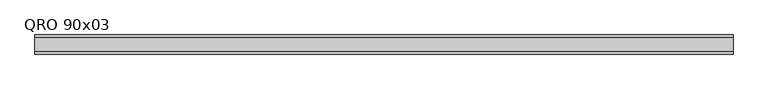
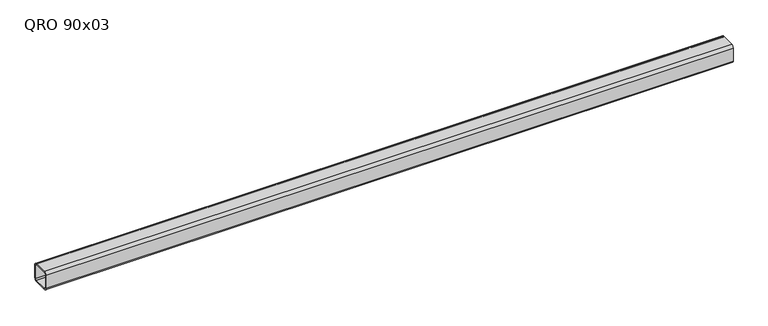
"""IFC4 building model written with IfcOpenShell, lengths in millimetres: beam geometry, QRO 90x03."""

from ifc_helpers import new_model, si_unit, point, frame, frame_2d, origin, place, context, project, spatial, polyline, circle_curve, trimmed, segment, composite_curve, outline, extrude, source, transform, mapped, element, save


def qro_90x03_b0f30305(model_context):
    return source(origin(), model_context, "Body", "SweptSolid", [
        extrude(outline(composite_curve([segment(polyline([(45.0, 33.0), (45.0, -33.0)]), True, "CONTINUOUS"), segment(trimmed(circle_curve(frame_2d((33.0, -33.0)), 12.0), [point((45.0, -33.0))], [point((33.0, -45.0))], False, "CARTESIAN"), True, "CONTINUOUS"), segment(polyline([(33.0, -45.0), (-33.0, -45.0)]), True, "CONTINUOUS"), segment(trimmed(circle_curve(frame_2d((-33.0, -33.0)), 12.0), [point((-33.0, -45.0))], [point((-45.0, -33.0))], False, "CARTESIAN"), True, "CONTINUOUS"), segment(polyline([(-45.0, -33.0), (-45.0, 33.0)]), True, "CONTINUOUS"), segment(trimmed(circle_curve(frame_2d((-33.0, 33.0)), 12.0), [point((-45.0, 33.0))], [point((-33.0, 45.0))], False, "CARTESIAN"), True, "CONTINUOUS"), segment(polyline([(-33.0, 45.0), (33.0, 45.0)]), True, "CONTINUOUS"), segment(trimmed(circle_curve(frame_2d((33.0, 33.0)), 12.0), [point((33.0, 45.0))], [point((45.0, 33.0))], False, "CARTESIAN"), True, "CONTINUOUS")], self_intersect=False), holes=[composite_curve([segment(trimmed(circle_curve(frame_2d((-33.0, 33.0)), 6.0), [point((-33.0, 39.0))], [point((-39.0, 33.0))], True, "CARTESIAN"), True, "CONTINUOUS"), segment(polyline([(-39.0, 33.0), (-39.0, -33.0)]), True, "CONTINUOUS"), segment(trimmed(circle_curve(frame_2d((-33.0, -33.0)), 6.0), [point((-39.0, -33.0))], [point((-33.0, -39.0))], True, "CARTESIAN"), True, "CONTINUOUS"), segment(polyline([(-33.0, -39.0), (33.0, -39.0)]), True, "CONTINUOUS"), segment(trimmed(circle_curve(frame_2d((33.0, -33.0)), 6.0), [point((33.0, -39.0))], [point((39.0, -33.0))], True, "CARTESIAN"), True, "CONTINUOUS"), segment(polyline([(39.0, -33.0), (39.0, 33.0)]), True, "CONTINUOUS"), segment(trimmed(circle_curve(frame_2d((33.0, 33.0)), 6.0), [point((39.0, 33.0))], [point((33.0, 39.0))], True, "CARTESIAN"), True, "CONTINUOUS"), segment(polyline([(33.0, 39.0), (-33.0, 39.0)]), True, "CONTINUOUS")], self_intersect=False)]), frame((-1616.1863628, 0.0, 0.0), z_axis=(1.0, 0.0, 0.0), x_axis=(0.0, 1.0, 0.0)), (0.0, 0.0, 1.0), 3285.6856437),
    ])


if __name__ == "__main__":
    model = new_model("IFC4")
    model_context = context("Model", 3, world=origin())
    ifc_project = project(units=[si_unit("LENGTHUNIT", "METRE", prefix="MILLI")], contexts=[model_context])
    site = spatial("IfcSite", under=ifc_project)
    building = spatial("IfcBuilding", under=site)
    placement = place(None, origin())
    qro_90x03_shape = qro_90x03_b0f30305(model_context)
    element("IfcBeam", 1, ObjectType="QRO 90x03", at=placement, inside=building, context=model_context, shape_type="MappedRepresentation", body=[
        mapped(qro_90x03_shape, transform((0.0, 0.0, 0.0), x_axis=(1.0, 0.0, 0.0), y_axis=(0.0, 1.0, 0.0), z_axis=(0.0, 0.0, 1.0))),
    ])
    save(model, "model.ifc")
